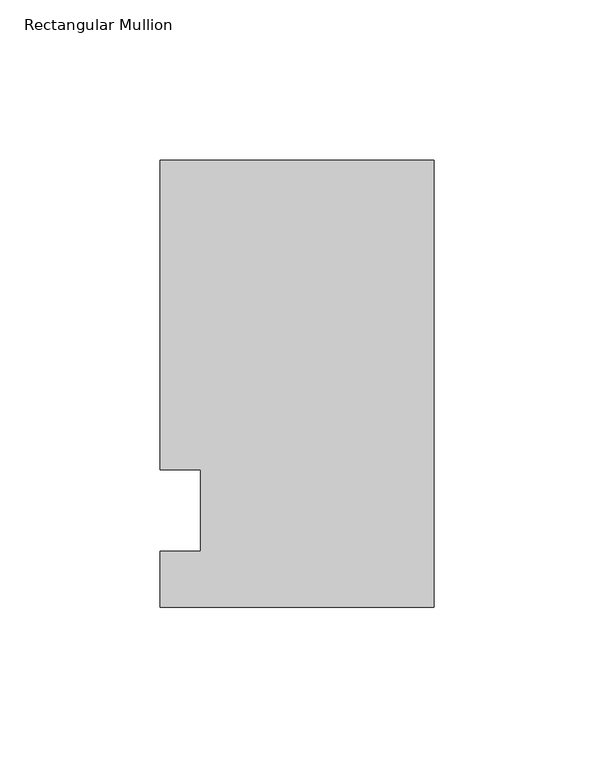
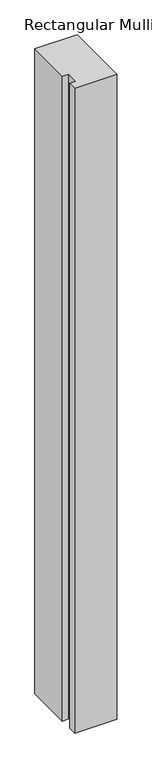
"""IFC4 building model written with IfcOpenShell, lengths in millimetres: member geometry, Rectangular Mullion."""

import ifcopenshell
import ifcopenshell.guid

model = None  # the IFC model being written
_history = None  # IfcOwnerHistory: only IFC2X3 demands one
_inside = {}  # id of a spatial element -> (the spatial element, [elements in it])
_under = {}  # id of a project, library or spatial element -> (it, [spatial elements below it])
_declared = {}  # id of a project -> (the project, [libraries it declares])
_typed = {}  # id of a type object -> (the type object, [elements of that type])
_made_of = {}  # id of a material, layer set ... -> (it, [elements and type objects made of it])


def new_model(schema):
    """Start an empty IFC model of exactly this schema.

    Asked for "IFC4X3", IfcOpenShell would pick the latest addendum, in which some entities
    have other attributes; the version numbers below select the first issue.
    IFC2X3 requires an IfcOwnerHistory on every rooted entity: one is made here for all.
    """
    global model, _history
    if schema == "IFC4X3":
        model = ifcopenshell.file(schema_version=(4, 3, 0, 0))
    else:
        model = ifcopenshell.file(schema=schema)
    _inside.clear()
    _under.clear()
    _declared.clear()
    _typed.clear()
    _made_of.clear()
    _history = None
    if model.schema == "IFC2X3":
        org = make("IfcOrganization", Name="unknown")
        user = make(
            "IfcPersonAndOrganization",
            ThePerson=make("IfcPerson", FamilyName="unknown"),
            TheOrganization=org,
        )
        app = make(
            "IfcApplication",
            ApplicationDeveloper=org,
            Version="unknown",
            ApplicationFullName="unknown",
            ApplicationIdentifier="unknown",
        )
        _history = make(
            "IfcOwnerHistory",
            OwningUser=user,
            OwningApplication=app,
            ChangeAction="ADDED",
            CreationDate=0,
        )
    return model


def make(cls, **values):
    """One entity of the class cls with the attributes given. An attribute that is None is left unset."""
    return model.create_entity(
        cls, **{name: value for name, value in values.items() if value is not None}
    )


def rooted(cls, **values):
    """An entity with a GlobalId (a new one), such as an element, a storey or a relation."""
    return make(cls, GlobalId=ifcopenshell.guid.new(), OwnerHistory=_history, **values)


def si_unit(unit_type, name, prefix=None):
    """IfcSIUnit, for example si_unit("LENGTHUNIT", "METRE", prefix="MILLI")."""
    return make("IfcSIUnit", UnitType=unit_type, Prefix=prefix, Name=name)


def assignment(units):
    """IfcUnitAssignment: the units of a project."""
    return None if units is None else make("IfcUnitAssignment", Units=units)


def point(xyz):
    """IfcCartesianPoint."""
    return None if xyz is None else make("IfcCartesianPoint", Coordinates=xyz)


def direction(xyz):
    """IfcDirection."""
    return None if xyz is None else make("IfcDirection", DirectionRatios=xyz)


def frame(location, z_axis=None, x_axis=None):
    """IfcAxis2Placement3D, a coordinate frame: its origin and axes. An axis left out is left unset."""
    return make(
        "IfcAxis2Placement3D",
        Location=point(location),
        Axis=direction(z_axis),
        RefDirection=direction(x_axis),
    )


def origin():
    """The frame at (0, 0, 0) with its axes left unset."""
    return frame((0.0, 0.0, 0.0))


def place(relative_to, where):
    """IfcLocalPlacement: puts the frame where relative to a parent placement (None: the world)."""
    return make(
        "IfcLocalPlacement", PlacementRelTo=relative_to, RelativePlacement=where
    )


def context(
    kind, dimensions, precision=None, world=None, true_north=None, identifier=None
):
    """IfcGeometricRepresentationContext, for example the 3D "Model" context."""
    return make(
        "IfcGeometricRepresentationContext",
        ContextIdentifier=identifier,
        ContextType=kind,
        CoordinateSpaceDimension=dimensions,
        Precision=precision,
        WorldCoordinateSystem=world,
        TrueNorth=true_north,
    )


def project(units=None, contexts=None):
    """IfcProject with its units and contexts."""
    return rooted(
        "IfcProject",
        Name="project",
        RepresentationContexts=contexts,
        UnitsInContext=assignment(units),
    )


def spatial(cls, under=None, at=None, **own):
    """A site, building, storey or space (cls), placed at a placement, below another one or the project."""
    s = rooted(cls, ObjectPlacement=at, **own)
    if under is not None:
        _under.setdefault(under.id(), (under, []))[1].append(s)
    return s


def polyline(points):
    """IfcPolyline through the points."""
    return make("IfcPolyline", Points=[point(p) for p in points])


def outline(outer, holes=None, kind="AREA"):
    """IfcArbitraryClosedProfileDef: a profile drawn as a closed curve; with holes, ...WithVoids."""
    if holes is None:
        return make("IfcArbitraryClosedProfileDef", ProfileType=kind, OuterCurve=outer)
    return make(
        "IfcArbitraryProfileDefWithVoids",
        ProfileType=kind,
        OuterCurve=outer,
        InnerCurves=holes,
    )


def extrude(swept, where, along, depth):
    """IfcExtrudedAreaSolid: the profile swept, set in the frame where, extruded along a direction by depth."""
    return make(
        "IfcExtrudedAreaSolid",
        SweptArea=swept,
        Position=where,
        ExtrudedDirection=direction(along),
        Depth=depth,
    )


def shape(context_of_items, identifier, shape_type, items):
    """IfcShapeRepresentation: the items that make up one representation, for example the "Body"."""
    return make(
        "IfcShapeRepresentation",
        ContextOfItems=context_of_items,
        RepresentationIdentifier=identifier,
        RepresentationType=shape_type,
        Items=items,
    )


def source(mapping_origin, context_of_items, identifier, shape_type, items):
    """IfcRepresentationMap: a shape defined once, which mapped items show again and again."""
    return make(
        "IfcRepresentationMap",
        MappingOrigin=mapping_origin,
        MappedRepresentation=shape(context_of_items, identifier, shape_type, items),
    )


def transform(
    local_origin,
    x_axis=None,
    y_axis=None,
    z_axis=None,
    scale=None,
    scale2=None,
    scale3=None,
    uniform=True,
):
    """IfcCartesianTransformationOperator3D, or its non-uniform kind. x_axis, y_axis, z_axis: its Axis1, 2, 3."""
    if uniform:
        return make(
            "IfcCartesianTransformationOperator3D",
            Axis1=direction(x_axis),
            Axis2=direction(y_axis),
            LocalOrigin=point(local_origin),
            Scale=scale,
            Axis3=direction(z_axis),
        )
    return make(
        "IfcCartesianTransformationOperator3DnonUniform",
        Axis1=direction(x_axis),
        Axis2=direction(y_axis),
        LocalOrigin=point(local_origin),
        Scale=scale,
        Axis3=direction(z_axis),
        Scale2=scale2,
        Scale3=scale3,
    )


def mapped(mapping_source, mapping_target):
    """IfcMappedItem: shows the shape of a source again, moved by a transform."""
    return make(
        "IfcMappedItem", MappingSource=mapping_source, MappingTarget=mapping_target
    )


def made_of(thing, what):
    """Note that an element or type object is made of a material, layer set ...; save() writes the relation."""
    if what is not None:
        _made_of.setdefault(what.id(), (what, []))[1].append(thing)
    return thing


def element(
    cls,
    number,
    at=None,
    inside=None,
    cuts=None,
    type_object=None,
    material=None,
    context=None,
    identifier="Body",
    shape_type=None,
    held_by="IfcProductDefinitionShape",
    body=None,
    shapes=None,
    **own,
):
    """One element of the class cls, such as IfcWall. Its Tag is "e" and its number.

    at: its placement. inside: the storey or other place that contains it. cuts: it is an
    opening in that element (IfcRelVoidsElement). A single representation is given by context,
    identifier, shape_type and body (its items); several are given by shapes. held_by: the class
    of the entity that holds the representations. save() writes the other relations.
    """
    e = rooted(cls, Tag="e%d" % number, ObjectPlacement=at, **own)
    if body is not None:
        shapes = [shape(context, identifier, shape_type, body)]
    if shapes is not None:
        e.Representation = make(held_by, Representations=shapes)
    if inside is not None:
        _inside.setdefault(inside.id(), (inside, []))[1].append(e)
    if cuts is not None:
        rooted(
            "IfcRelVoidsElement", RelatingBuildingElement=cuts, RelatedOpeningElement=e
        )
    if type_object is not None:
        _typed.setdefault(type_object.id(), (type_object, []))[1].append(e)
    return made_of(e, material)


def aggregate(whole, parts):
    """IfcRelAggregates: a whole, such as a stair, and the parts it consists of."""
    return rooted("IfcRelAggregates", RelatingObject=whole, RelatedObjects=parts)


def save(model, path):
    """Write the relations noted so far, then the file.

    IfcRelAggregates (storeys below a building ...), IfcRelContainedInSpatialStructure (elements
    in a storey), IfcRelDefinesByType, IfcRelAssociatesMaterial and IfcRelDeclares: one each for
    every whole, place, type object, material and project.
    """
    for whole, parts in _under.values():
        aggregate(whole, parts)
    for where, things in _inside.values():
        rooted(
            "IfcRelContainedInSpatialStructure",
            RelatedElements=things,
            RelatingStructure=where,
        )
    for kind, things in _typed.values():
        rooted("IfcRelDefinesByType", RelatedObjects=things, RelatingType=kind)
    for what, things in _made_of.values():
        rooted("IfcRelAssociatesMaterial", RelatedObjects=things, RelatingMaterial=what)
    for by, libraries in _declared.values():
        rooted("IfcRelDeclares", RelatingContext=by, RelatedDefinitions=libraries)
    model.write(path)


def rectangular_mullion_2e229dca(model_context):
    return source(origin(), model_context, "Body", "SweptSolid", [
        extrude(outline(polyline([(-85.725, 109.5375), (0.0, 109.5375), (0.0, -30.1625), (-85.725, -30.1625), (-85.725, -12.7), (-73.0232296, -12.7), (-73.0232296, 12.7), (-85.725, 12.7), (-85.725, 109.5375)])), frame((0.0, 0.0, -1387.5760693), z_axis=(0.0, 0.0, 1.0), x_axis=(1.0, 0.0, 0.0)), (0.0, 0.0, 1.0), 1387.5760693),
    ])


if __name__ == "__main__":
    model = new_model("IFC4")
    model_context = context("Model", 3, world=origin())
    ifc_project = project(units=[si_unit("LENGTHUNIT", "METRE", prefix="MILLI")], contexts=[model_context])
    site = spatial("IfcSite", under=ifc_project)
    building = spatial("IfcBuilding", under=site)
    placement = place(None, origin())
    rectangular_mullion_shape = rectangular_mullion_2e229dca(model_context)
    element("IfcMember", 1, ObjectType="Rectangular Mullion", at=placement, inside=building, context=model_context, shape_type="MappedRepresentation", body=[
        mapped(rectangular_mullion_shape, transform((0.0, 0.0, 0.0), x_axis=(1.0, 0.0, 0.0), y_axis=(0.0, 1.0, 0.0), z_axis=(0.0, 0.0, 1.0))),
    ])
    save(model, "model.ifc")
